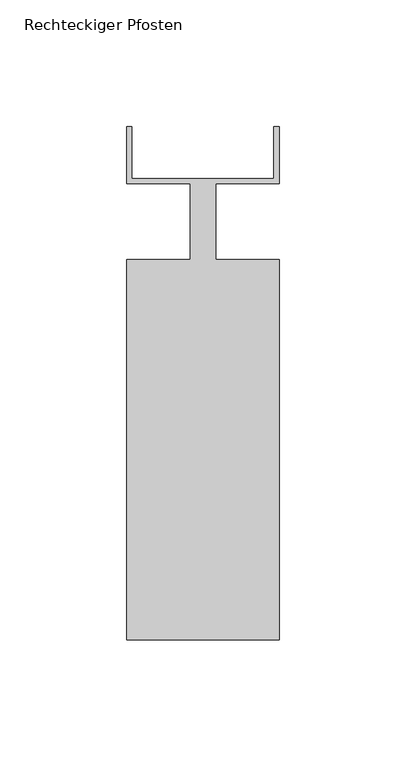
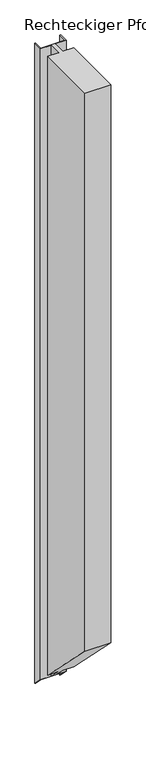
"""IFC4 building model written with IfcOpenShell, lengths in millimetres: member geometry, Rechteckiger Pfosten."""

from ifc_helpers import new_model, si_unit, origin, place, context, project, spatial, faceted_brep, source, transform, mapped, element, save


def rechteckiger_pfosten_003df248(model_context):
    return source(origin(), model_context, "Body", "Brep", [
        faceted_brep([(28.0, 37.5, 0.0), (28.0, 17.0, 0.0), (-28.0, 17.0, 0.0), (-28.0, 37.5, 0.0), (-30.0, 37.5, 0.0), (-30.0, 15.0, 0.0), (-5.0, 15.0, 0.0), (-5.0, -15.0, 0.0), (-30.0, -15.0, 0.0), (-30.0, -165.0, 0.0), (30.0, -165.0, 0.0), (30.0, -15.0, 0.0), (5.0, -15.0, 0.0), (5.0, 15.0, 0.0), (30.0, 15.0, 0.0), (30.0, 37.5, 0.0), (28.0, 37.5, -1581.5472594), (28.0, 17.0, -1561.0472594), (-28.0, 17.0, -1561.0472594), (-28.0, 37.5, -1581.5472594), (-30.0, 37.5, -1581.5472594), (-30.0, 15.0, -1559.0472594), (-5.0, 15.0, -1559.0472594), (-5.0, -15.0, -1529.0472594), (-30.0, -15.0, -1529.0472594), (-30.0, -165.0, -1379.0472594), (30.0, -165.0, -1379.0472594), (30.0, -15.0, -1529.0472594), (5.0, -15.0, -1529.0472594), (5.0, 15.0, -1559.0472594), (30.0, 15.0, -1559.0472594), (30.0, 37.5, -1581.5472594)], [[[0, 1, 2, 3, 4, 5, 6, 7, 8, 9, 10, 11, 12, 13, 14, 15]], [[1, 0, 16, 17]], [[2, 1, 17, 18]], [[3, 2, 18, 19]], [[4, 3, 19, 20]], [[5, 4, 20, 21]], [[6, 5, 21, 22]], [[7, 6, 22, 23]], [[8, 7, 23, 24]], [[9, 8, 24, 25]], [[10, 9, 25, 26]], [[11, 10, 26, 27]], [[12, 11, 27, 28]], [[13, 12, 28, 29]], [[14, 13, 29, 30]], [[15, 14, 30, 31]], [[0, 15, 31, 16]], [[16, 31, 30, 29, 28, 27, 26, 25, 24, 23, 22, 21, 20, 19, 18, 17]]]),
    ])


if __name__ == "__main__":
    model = new_model("IFC4")
    model_context = context("Model", 3, world=origin())
    ifc_project = project(units=[si_unit("LENGTHUNIT", "METRE", prefix="MILLI")], contexts=[model_context])
    site = spatial("IfcSite", under=ifc_project)
    building = spatial("IfcBuilding", under=site)
    placement = place(None, origin())
    rechteckiger_pfosten_shape = rechteckiger_pfosten_003df248(model_context)
    element("IfcMember", 1, ObjectType="Rechteckiger Pfosten", at=placement, inside=building, context=model_context, shape_type="MappedRepresentation", body=[
        mapped(rechteckiger_pfosten_shape, transform((0.0, 0.0, 0.0), x_axis=(1.0, 0.0, 0.0), y_axis=(0.0, 1.0, 0.0), z_axis=(0.0, 0.0, 1.0))),
    ])
    save(model, "model.ifc")
